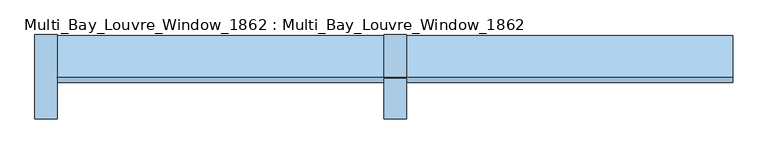
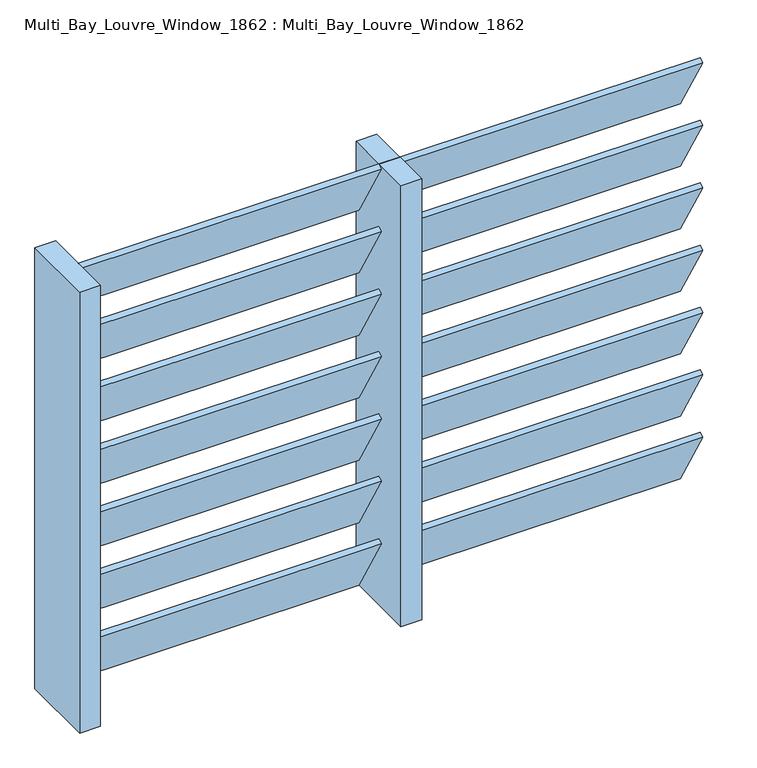
"""IFC4 building model written with IfcOpenShell, lengths in millimetres: window geometry, Multi_Bay_Louvre_Window_1862 : Multi_Bay_Louvre_Window_1862."""

from ifc_helpers import new_model, si_unit, frame, origin, place, context, project, spatial, polyline, outline, extrude, source, transform, mapped, element, save


def multi_bay_louvre_window_1862_multi_bay_louvre_window_1862_fc88dd3f(model_context):
    return source(origin(), model_context, "Body", "SweptSolid", [
        extrude(outline(polyline([(0.0, -10.0), (0.0, 0.0), (1200.0, 0.0), (1200.0, -10.0), (0.0, -10.0)])), frame((1220.0, 65.0, 1237.5801579), z_axis=(0.0, -0.500000000000001, 0.866025403784438), x_axis=(-1.0, 0.0, 0.0)), (0.0, 0.0, 1.0), 150.0),
        extrude(outline(polyline([(0.0, -10.0), (0.0, 0.0), (1200.0, 0.0), (1200.0, -10.0), (0.0, -10.0)])), frame((1220.0, 65.0, 1110.0641263), z_axis=(0.0, -0.500000000000001, 0.866025403784438), x_axis=(-1.0, 0.0, 0.0)), (0.0, 0.0, 1.0), 150.0),
        extrude(outline(polyline([(0.0, -10.0), (0.0, 0.0), (1200.0, 0.0), (1200.0, -10.0), (0.0, -10.0)])), frame((1220.0, 65.0, 982.5480947), z_axis=(0.0, -0.500000000000001, 0.866025403784438), x_axis=(-1.0, 0.0, 0.0)), (0.0, 0.0, 1.0), 150.0),
        extrude(outline(polyline([(0.0, -10.0), (0.0, 0.0), (1200.0, 0.0), (1200.0, -10.0), (0.0, -10.0)])), frame((1220.0, 65.0, 855.0320631), z_axis=(0.0, -0.500000000000001, 0.866025403784438), x_axis=(-1.0, 0.0, 0.0)), (0.0, 0.0, 1.0), 150.0),
        extrude(outline(polyline([(0.0, -10.0), (0.0, 0.0), (1200.0, 0.0), (1200.0, -10.0), (0.0, -10.0)])), frame((1220.0, 65.0, 727.5160316), z_axis=(0.0, -0.500000000000001, 0.866025403784438), x_axis=(-1.0, 0.0, 0.0)), (0.0, 0.0, 1.0), 150.0),
        extrude(outline(polyline([(0.0, -10.0), (0.0, 0.0), (1200.0, 0.0), (1200.0, -10.0), (0.0, -10.0)])), frame((1220.0, 65.0, 1365.0961894), z_axis=(0.0, -0.500000000000001, 0.866025403784438), x_axis=(-1.0, 0.0, 0.0)), (0.0, 0.0, 1.0), 150.0),
        extrude(outline(polyline([(0.0, -10.0), (0.0, 0.0), (1200.0, 0.0), (1200.0, -10.0), (0.0, -10.0)])), frame((1220.0, 65.0, 600.0), z_axis=(0.0, -0.500000000000001, 0.866025403784438), x_axis=(-1.0, 0.0, 0.0)), (0.0, 0.0, 1.0), 150.0),
        extrude(outline(polyline([(20.0, 75.0), (20.0, -75.0), (-20.0, -75.0), (-20.0, 75.0), (20.0, 75.0)])), frame((0.0, 0.0, 600.0), z_axis=(0.0, 0.0, 1.0), x_axis=(1.0, 0.0, 0.0)), (0.0, 0.0, 1.0), 900.0),
        extrude(outline(polyline([(640.0, 75.0), (640.0, -75.0), (600.0, -75.0), (600.0, 75.0), (640.0, 75.0)])), frame((0.0, 0.0, 600.0), z_axis=(0.0, 0.0, 1.0), x_axis=(1.0, 0.0, 0.0)), (0.0, 0.0, 1.0), 900.0),
    ])


if __name__ == "__main__":
    model = new_model("IFC4")
    model_context = context("Model", 3, world=origin())
    ifc_project = project(units=[si_unit("LENGTHUNIT", "METRE", prefix="MILLI")], contexts=[model_context])
    site = spatial("IfcSite", under=ifc_project)
    building = spatial("IfcBuilding", under=site)
    placement = place(None, origin())
    multi_bay_louvre_window_1862_multi_bay_louvre_window_1862_shape = multi_bay_louvre_window_1862_multi_bay_louvre_window_1862_fc88dd3f(model_context)
    element("IfcWindow", 1, ObjectType="Multi_Bay_Louvre_Window_1862 : Multi_Bay_Louvre_Window_1862", at=placement, inside=building, context=model_context, shape_type="MappedRepresentation", body=[
        mapped(multi_bay_louvre_window_1862_multi_bay_louvre_window_1862_shape, transform((0.0, 0.0, 0.0), x_axis=(1.0, 0.0, 0.0), y_axis=(0.0, 1.0, 0.0), z_axis=(0.0, 0.0, 1.0))),
    ])
    save(model, "model.ifc")
